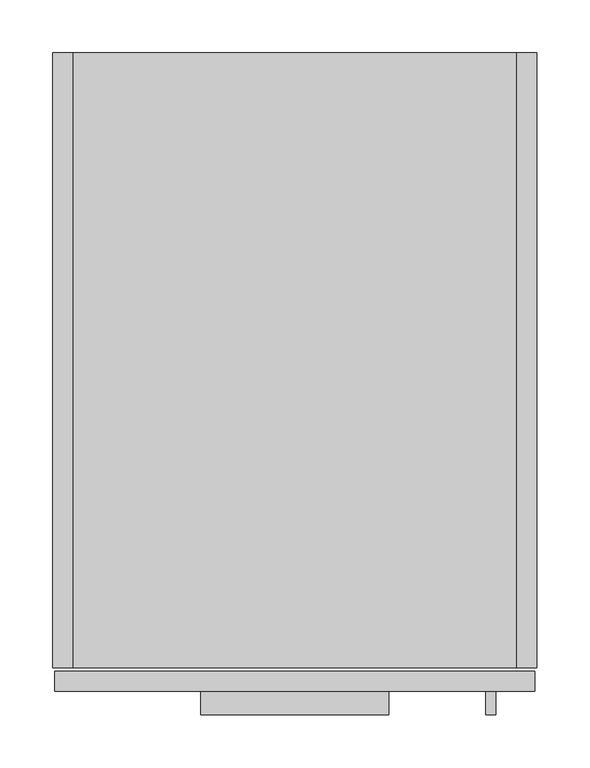
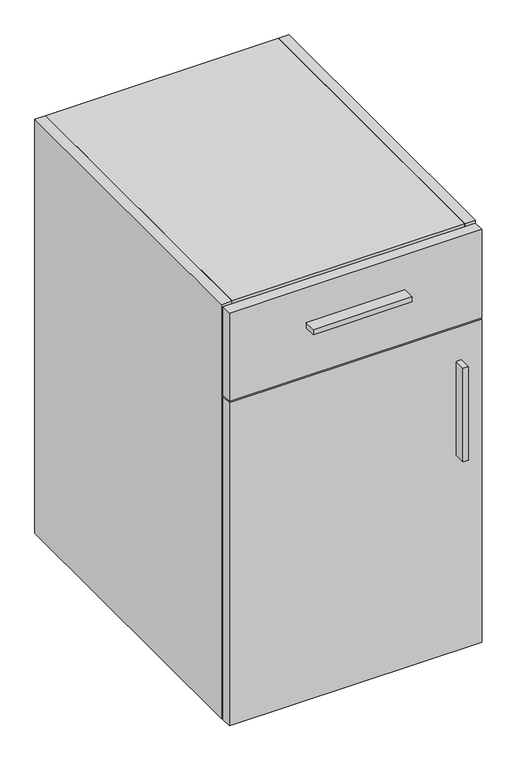
"""IFC4 building model written with IfcOpenShell, lengths in millimetres: furniture geometry."""

from ifc_helpers import new_model, si_unit, frame, origin, place, context, project, spatial, polyline, outline, extrude, source, transform, mapped, element, save


def furniture_39d29d1f(model_context):
    return source(origin(), model_context, "Body", "SweptSolid", [
        extrude(outline(polyline([(455.6125, -603.504), (1.5875, -603.504), (1.5875, -584.2), (455.6125, -584.2), (455.6125, -603.504)])), frame((0.0, 0.0, 101.6), z_axis=(0.0, 0.0, 1.0), x_axis=(1.0, 0.0, 0.0)), (0.0, 0.0, 1.0), 613.3592),
        extrude(outline(polyline([(418.4638631, -625.729), (408.9388631, -625.729), (408.9388631, -603.504), (418.4638631, -603.504), (418.4638631, -625.729)])), frame((0.0, 0.0, 473.6592), z_axis=(0.0, 0.0, 1.0), x_axis=(1.0, 0.0, 0.0)), (0.0, 0.0, 1.0), 177.8),
        extrude(outline(polyline([(317.5, -625.729), (139.7, -625.729), (139.7, -603.504), (317.5, -603.504), (317.5, -625.729)])), frame((0.0, 0.0, 809.9425), z_axis=(0.0, 0.0, 1.0), x_axis=(1.0, 0.0, 0.0)), (0.0, 0.0, 1.0), 9.525),
        extrude(outline(polyline([(437.896, 0.0), (437.896, -19.304), (19.304, -19.304), (19.304, 0.0), (437.896, 0.0)])), frame((0.0, 0.0, 101.6), z_axis=(0.0, 0.0, 1.0), x_axis=(1.0, 0.0, 0.0)), (0.0, 0.0, 1.0), 768.096),
        extrude(outline(polyline([(437.896, -581.025), (19.304, -581.025), (19.304, -19.304), (437.896, -19.304), (437.896, -581.025)])), frame((0.0, 0.0, 101.6), z_axis=(0.0, 0.0, 1.0), x_axis=(1.0, 0.0, 0.0)), (0.0, 0.0, 1.0), 19.304),
        extrude(outline(polyline([(437.896, -581.025), (19.304, -581.025), (19.304, 0.0), (437.896, 0.0), (437.896, -581.025)])), frame((0.0, 0.0, 869.696), z_axis=(0.0, 0.0, 1.0), x_axis=(1.0, 0.0, 0.0)), (0.0, 0.0, 1.0), 19.304),
        extrude(outline(polyline([(19.304, 0.0), (19.304, -581.025), (0.0, -581.025), (0.0, 0.0), (19.304, 0.0)])), frame((0.0, 0.0, 101.6), z_axis=(0.0, 0.0, 1.0), x_axis=(1.0, 0.0, 0.0)), (0.0, 0.0, 1.0), 787.4),
        extrude(outline(polyline([(437.896, 0.0), (457.2, 0.0), (457.2, -581.025), (437.896, -581.025), (437.896, 0.0)])), frame((0.0, 0.0, 101.6), z_axis=(0.0, 0.0, 1.0), x_axis=(1.0, 0.0, 0.0)), (0.0, 0.0, 1.0), 787.4),
        extrude(outline(polyline([(455.6125, -603.504), (1.5875, -603.504), (1.5875, -584.2), (455.6125, -584.2), (455.6125, -603.504)])), frame((0.0, 0.0, 718.1342), z_axis=(0.0, 0.0, 1.0), x_axis=(1.0, 0.0, 0.0)), (0.0, 0.0, 1.0), 167.6908),
    ])


if __name__ == "__main__":
    model = new_model("IFC4")
    model_context = context("Model", 3, world=origin())
    ifc_project = project(units=[si_unit("LENGTHUNIT", "METRE", prefix="MILLI")], contexts=[model_context])
    site = spatial("IfcSite", under=ifc_project)
    building = spatial("IfcBuilding", under=site)
    placement = place(None, origin())
    furniture_shape = furniture_39d29d1f(model_context)
    element("IfcFurniture", 1, at=placement, inside=building, context=model_context, shape_type="MappedRepresentation", body=[
        mapped(furniture_shape, transform((0.0, 0.0, 0.0), x_axis=(1.0, 0.0, 0.0), y_axis=(0.0, 1.0, 0.0), z_axis=(0.0, 0.0, 1.0))),
    ])
    save(model, "model.ifc")
